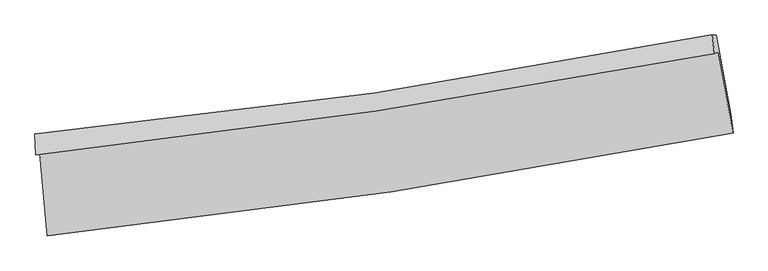
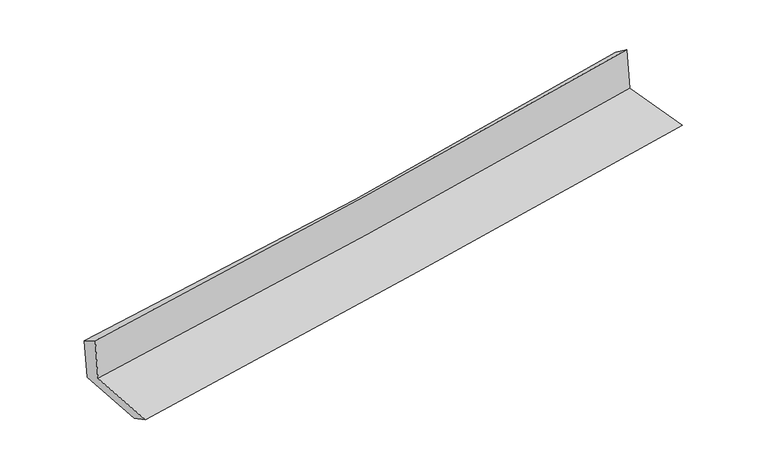
"""IFC4 building model written with IfcOpenShell, lengths in millimetres: proxy geometry."""

from ifc_helpers import new_model, si_unit, frame, origin, place, context, project, spatial, source, transform, mapped, element, save
from ifc_brep_helpers import plane_surface, spline_curve, spline_surface, advanced_brep


def generic_models_7fb9f7f0(model_context):
    return source(origin(), model_context, "Body", "AdvancedBrep", [
        advanced_brep(
        [(-2726.5296876, -1891.3965435, 1649.4229229), (-2664.3195403, -2547.6432879, 1619.535082), (2798.9807394, -1727.2294773, 2105.3484905), (2682.2678561, -1082.9209833, 2116.3281314), (-2756.8175773, -1902.8657067, 2038.8689438), (2650.8459936, -1095.1020638, 2515.5097561), (-2764.2095718, -1734.4791494, 1940.0129214), (2632.8876263, -943.0571819, 2404.2793362), (-2734.1320549, -1736.9995266, 1569.0277296), (2665.8331072, -945.4614599, 2018.1323395), (-2672.7058952, -2382.4630766, 1536.6700359), (2781.0334794, -1573.6787531, 1990.7721903)],
        [
            (0, 1),
            (1, 2, spline_curve(3, [(-2664.3195403, -2547.6432879, 1619.535082), (-1751.41185297, -2451.447954972, 1728.822229547), (-840.175868383, -2335.078704133, 1823.921696466), (980.931506258, -2061.6953087, 1985.921298928), (1890.795615047, -1904.5932894, 2052.759634517), (2798.9807394, -1727.2294773, 2105.3484905)], [4, 2, 4], [0.0, 9.043840255531192, 18.107355922270045])),
            (2, 3),
            (3, 0, spline_curve(3, [(2682.2678561, -1082.9209833, 2116.3281314), (1784.025081543, -1252.257877947, 2052.337563948), (883.678516511, -1404.353782453, 1981.383676814), (-919.263122282, -1673.770862369, 1825.718407708), (-1821.849071717, -1791.166811315, 1741.037225462), (-2726.5296876, -1891.3965435, 1649.4229229)], [4, 2, 4], [0.0, 9.063515666738853, 18.107355922270045])),
            (4, 0),
            (3, 5),
            (5, 4, spline_curve(3, [(2650.8459936, -1095.1020638, 2515.5097561), (1752.816909834, -1264.433486385, 2449.786090619), (852.671777101, -1416.467202177, 2377.153531339), (-949.891923539, -1685.646730368, 2218.243297155), (-1852.301314837, -1802.867562263, 2131.995585469), (-2756.8175773, -1902.8657067, 2038.8689438)], [4, 2, 4], [0.0, 9.015566908788818, 18.01156249528693])),
            (6, 4),
            (5, 7),
            (7, 6, spline_curve(3, [(2632.8876263, -943.0571819, 2404.2793362), (1738.883636876, -1120.845603579, 2330.176143548), (841.631310327, -1275.738456955, 2254.391815395), (-957.415176961, -1539.446482113, 2099.629052666), (-1859.195249819, -1648.360951437, 2020.657909419), (-2764.2095718, -1734.4791494, 1940.0129214)], [4, 2, 4], [0.0, 9.004393487101733, 17.989239907585105])),
            (8, 6),
            (7, 9),
            (9, 8, spline_curve(3, [(2665.8331072, -945.4614599, 2018.1323395), (1770.918457088, -1123.252027177, 1951.466640715), (872.971778403, -1278.155647913, 1880.663249442), (-927.029758882, -1541.902410463, 1730.943768002), (-1829.071467461, -1650.844811848, 1652.045622461), (-2734.1320549, -1736.9995266, 1569.0277296)], [4, 2, 4], [0.0, 8.995034815154483, 17.970542879837858])),
            (10, 8),
            (9, 11),
            (11, 10, spline_curve(3, [(2781.0334794, -1573.6787531, 1990.7721903), (1877.284440434, -1758.066936725, 1923.076170473), (970.434438741, -1917.706094378, 1851.340811144), (-847.492134716, -2187.193533192, 1699.955907943), (-1758.555258035, -2297.149150195, 1620.323882384), (-2672.7058952, -2382.4630766, 1536.6700359)], [4, 2, 4], [0.0, 9.042573325627728, 18.065516702447617])),
            (1, 10),
            (11, 2),
        ],
        [
            spline_surface(3, 3, [[(-2726.5296876, -1891.3965435, 1649.4229229), (-1821.849071683, -1791.166811363, 1741.037225443), (-919.263122198, -1673.770862364, 1825.718407686), (883.678516427, -1404.353782458, 1981.383676837), (1784.025081505, -1252.257878061, 2052.337564081), (2682.2678561, -1082.9209833, 2116.3281314)], [(-2705.792971814, -2110.145458272, 1639.460309248), (-1798.369998806, -2011.260525912, 1736.965560083), (-892.900704323, -1894.206809645, 1825.119503994), (916.096179725, -1623.467624512, 1982.896217519), (1819.615259351, -1469.703015124, 2052.478254208), (2721.172150524, -1297.690481293, 2112.668251085)], [(-2685.056256086, -2328.894373128, 1629.497695652), (-1774.890925987, -2231.354240545, 1732.89389478), (-866.538286384, -2114.642756929, 1824.520600252), (948.513843087, -1842.581466569, 1984.408758152), (1855.205437227, -1687.148152209, 2052.618944382), (2760.076444976, -1512.459979307, 2109.008370815)], [(-2664.3195403, -2547.6432879, 1619.535082), (-1751.41185311, -2451.447955094, 1728.82222942), (-840.175868509, -2335.078704209, 1823.92169656), (980.931506385, -2061.695308623, 1985.921298835), (1890.795615073, -1904.593289272, 2052.759634509), (2798.9807394, -1727.2294773, 2105.3484905)]], [4, 4], [4, 2, 4], [0.0, 2.1823941078392934], [0.0, 9.043840255531192, 18.107355922270045]),
            spline_surface(3, 3, [[(-2756.8175773, -1902.8657067, 2038.8689438), (-1852.301314733, -1802.867562179, 2131.995585506), (-949.891923653, -1685.646730357, 2218.243297069), (852.671777216, -1416.467202189, 2377.153531426), (1752.816909737, -1264.433486393, 2449.786090649), (2650.8459936, -1095.1020638, 2515.5097561)], [(-2746.721614073, -1899.042652297, 1909.053603499), (-1842.150567056, -1798.967311904, 2001.676132151), (-939.68232316, -1681.688107678, 2087.40166725), (863.007356961, -1412.429395597, 2245.230246538), (1763.219633639, -1260.374950285, 2317.303248474), (2661.319947746, -1091.041703636, 2382.449214548)], [(-2736.625650827, -1895.219597903, 1779.238263201), (-1831.99981936, -1795.067061638, 1871.356678798), (-929.472722691, -1677.729485043, 1956.560037505), (873.342936682, -1408.39158905, 2113.306961724), (1773.622357602, -1256.316414169, 2184.820406256), (2671.793901954, -1086.981343464, 2249.388672952)], [(-2726.5296876, -1891.3965435, 1649.4229229), (-1821.849071683, -1791.166811363, 1741.037225443), (-919.263122198, -1673.770862364, 1825.718407686), (883.678516427, -1404.353782458, 1981.383676837), (1784.025081505, -1252.257878061, 2052.337564081), (2682.2678561, -1082.9209833, 2116.3281314)]], [4, 4], [4, 2, 4], [0.0, 1.2976896302380827], [0.0, 8.995995586498113, 18.01156249528693]),
            spline_surface(3, 3, [[(-2764.2095718, -1734.4791494, 1940.0129214), (-1859.195249871, -1648.36095139, 2020.657909323), (-957.41517695, -1539.446482189, 2099.629052735), (841.631310316, -1275.738456878, 2254.391815326), (1738.883636782, -1120.845603557, 2330.176143569), (2632.8876263, -943.0571819, 2404.2793362)], [(-2761.745573646, -1790.608001856, 1972.964928865), (-1856.897271504, -1699.863155009, 2057.770468049), (-954.907425827, -1588.179898262, 2139.167134186), (845.311465974, -1322.648038665, 2295.312387366), (1743.528061113, -1168.708231173, 2370.046125945), (2638.873748747, -993.738809204, 2441.35614285)], [(-2759.281575454, -1846.736854244, 2005.916936335), (-1854.5992931, -1751.36535856, 2094.88302678), (-952.399674777, -1636.913314284, 2178.705215617), (848.991621558, -1369.557620402, 2336.232959386), (1748.172485405, -1216.570858777, 2409.916108272), (2644.859871153, -1044.420436496, 2478.43294945)], [(-2756.8175773, -1902.8657067, 2038.8689438), (-1852.301314733, -1802.867562179, 2131.995585506), (-949.891923653, -1685.646730357, 2218.243297069), (852.671777216, -1416.467202189, 2377.153531426), (1752.816909737, -1264.433486393, 2449.786090649), (2650.8459936, -1095.1020638, 2515.5097561)]], [4, 4], [4, 2, 4], [0.0, 0.6158308436772664], [0.0, 8.984846420483372, 17.989239907585105]),
            spline_surface(3, 3, [[(-2734.1320549, -1736.9995266, 1569.0277296), (-1829.071467477, -1650.844811776, 1652.045622341), (-927.029758824, -1541.902410407, 1730.943767913), (872.971778345, -1278.155647969, 1880.663249531), (1770.918457031, -1123.252027083, 1951.466640639), (2665.8331072, -945.4614599, 2018.1323395)], [(-2744.157893855, -1736.159400865, 1692.689460199), (-1839.112728264, -1650.016858313, 1774.916384667), (-937.158231538, -1541.083767666, 1853.83886285), (862.524955664, -1277.349917603, 2005.239438125), (1760.240183603, -1122.449885907, 2077.703141612), (2654.851280222, -944.660033899, 2146.848005062)], [(-2754.183732845, -1735.319275135, 1816.351190801), (-1849.153989085, -1649.188904853, 1897.787146996), (-947.286704236, -1540.265124931, 1976.733957798), (852.078132998, -1276.544187244, 2129.815626732), (1749.56191021, -1121.647744733, 2203.939642597), (2643.869453278, -943.858607901, 2275.563670638)], [(-2764.2095718, -1734.4791494, 1940.0129214), (-1859.195249871, -1648.36095139, 2020.657909323), (-957.41517695, -1539.446482189, 2099.629052735), (841.631310316, -1275.738456878, 2254.391815326), (1738.883636782, -1120.845603557, 2330.176143569), (2632.8876263, -943.0571819, 2404.2793362)]], [4, 4], [4, 2, 4], [0.0, 1.2221169488749573], [0.0, 8.975508064683375, 17.970542879837858]),
            spline_surface(3, 3, [[(-2672.7058952, -2382.4630766, 1536.6700359), (-1758.555258062, -2297.149150108, 1620.323882437), (-847.492134793, -2187.193533259, 1699.955907923), (970.434438818, -1917.706094311, 1851.340811164), (1877.284440432, -1758.066936656, 1923.076170509), (2781.0334794, -1573.6787531, 1990.7721903)], [(-2693.18128178, -2167.308559916, 1547.455933803), (-1782.060661214, -2081.714370647, 1630.897795742), (-874.004676159, -1972.096492301, 1710.285194596), (937.946885305, -1704.52261219, 1861.114957296), (1841.82911264, -1546.46196679, 1932.539660547), (2742.633355342, -1364.272988691, 1999.892240028)], [(-2713.65666832, -1952.154043284, 1558.241831697), (-1805.566064326, -1866.279591237, 1641.471709037), (-900.517217458, -1756.999451365, 1720.61448124), (905.459331858, -1491.33913009, 1870.889103399), (1806.373784823, -1334.856996949, 1942.003150602), (2704.233231258, -1154.867224309, 2009.012289772)], [(-2734.1320549, -1736.9995266, 1569.0277296), (-1829.071467477, -1650.844811776, 1652.045622341), (-927.029758824, -1541.902410407, 1730.943767913), (872.971778345, -1278.155647969, 1880.663249531), (1770.918457031, -1123.252027083, 1951.466640639), (2665.8331072, -945.4614599, 2018.1323395)]], [4, 4], [4, 2, 4], [0.0, 2.1298726136603423], [0.0, 9.022943376819889, 18.065516702447617]),
            spline_surface(3, 3, [[(-2664.3195403, -2547.6432879, 1619.535082), (-1751.41185311, -2451.447955094, 1728.82222942), (-840.175868509, -2335.078704209, 1823.92169656), (980.931506385, -2061.695308623, 1985.921298835), (1890.795615073, -1904.593289272, 2052.759634509), (2798.9807394, -1727.2294773, 2105.3484905)], [(-2667.114991933, -2492.583217493, 1591.913399986), (-1753.792988094, -2400.015020125, 1692.656113778), (-842.614623922, -2285.783647234, 1782.599767011), (977.432483879, -2013.698903861, 1941.061136274), (1886.291890212, -1855.751171744, 2009.53181317), (2792.99831942, -1676.045902577, 2067.156390428)], [(-2669.910443567, -2437.523147007, 1564.291717914), (-1756.174123078, -2348.582085077, 1656.489998079), (-845.053379381, -2236.488590234, 1741.277837472), (973.933461325, -1965.702499074, 1896.200973725), (1881.788165292, -1806.909054185, 1966.303991848), (2787.01589938, -1624.862327823, 2028.964290372)], [(-2672.7058952, -2382.4630766, 1536.6700359), (-1758.555258062, -2297.149150108, 1620.323882437), (-847.492134793, -2187.193533259, 1699.955907923), (970.434438818, -1917.706094311, 1851.340811164), (1877.284440432, -1758.066936656, 1923.076170509), (2781.0334794, -1573.6787531, 1990.7721903)]], [4, 4], [4, 2, 4], [0.0, 0.6403132164858325], [0.0, 9.080054999236841, 18.17986419700554]),
            plane_surface(frame((2701.9748003, -1227.9083199, 2191.728374), z_axis=(0.9808706902370931, 0.17627184978480884, 0.08258888549466196), x_axis=(-0.08500801794919499, 0.0062036704813212, 0.9963609543518396))),
            plane_surface(frame((-2719.7857212, -2032.6412151, 1725.589606), z_axis=(-0.9926917732705255, -0.09046663036035123, -0.07986759087554465), x_axis=(-0.09427693610482543, 0.9945151234923523, 0.04529380160328794))),
        ],
        [
            (0, [[1, 2, 3, 4]]),
            (1, [[5, -4, 6, 7]]),
            (2, [[8, -7, 9, 10]]),
            (3, [[11, -10, 12, 13]]),
            (4, [[14, -13, 15, 16]]),
            (5, [[17, -16, 18, -2]]),
            (6, [[-12, -9, -6, -3, -18, -15]]),
            (7, [[-1, -5, -8, -11, -14, -17]]),
        ],
    ),
    ])


if __name__ == "__main__":
    model = new_model("IFC4")
    model_context = context("Model", 3, world=origin())
    ifc_project = project(units=[si_unit("LENGTHUNIT", "METRE", prefix="MILLI")], contexts=[model_context])
    site = spatial("IfcSite", under=ifc_project)
    building = spatial("IfcBuilding", under=site)
    placement = place(None, origin())
    generic_models_shape = generic_models_7fb9f7f0(model_context)
    element("IfcBuildingElementProxy", 1, Name="Generic Models", at=placement, inside=building, context=model_context, shape_type="MappedRepresentation", body=[
        mapped(generic_models_shape, transform((0.0, 0.0, 0.0), x_axis=(1.0, 0.0, 0.0), y_axis=(0.0, 1.0, 0.0), z_axis=(0.0, 0.0, 1.0))),
    ])
    save(model, "model.ifc")
